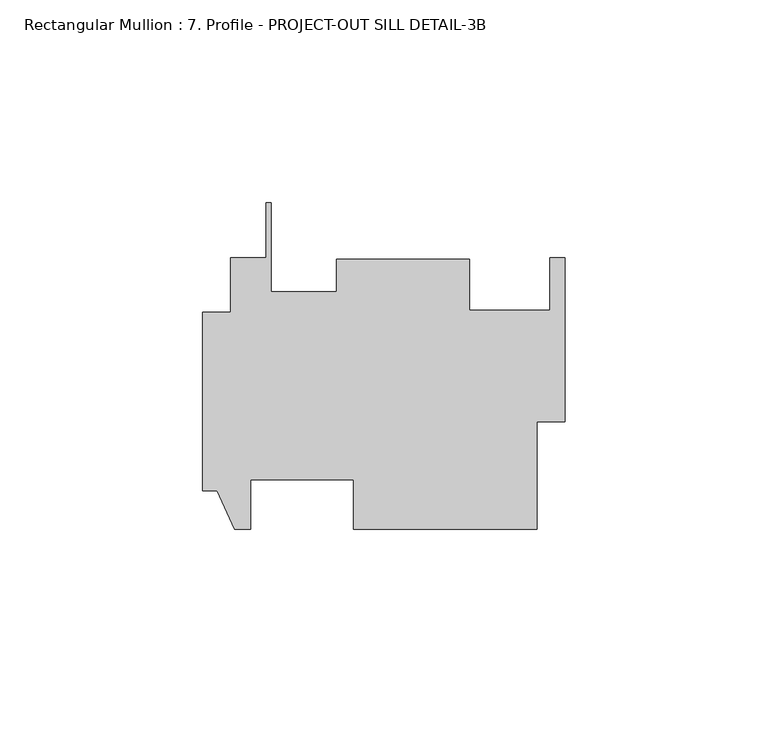
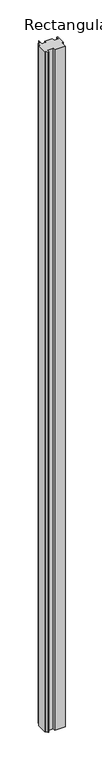
"""IFC4 building model written with IfcOpenShell, lengths in millimetres: member geometry, Rectangular Mullion : 7. Profile - PROJECT-OUT SILL DETAIL-3B."""

from ifc_helpers import new_model, si_unit, frame, origin, place, context, project, spatial, polyline, outline, extrude, source, transform, mapped, element, save


def rectangular_mullion_7_profile_project_out_sill_detail_3b_d269598d(model_context):
    return source(origin(), model_context, "Body", "SweptSolid", [
        extrude(outline(polyline([(-89.4588, -24.4954678), (-89.4588, 19.4719322), (-82.55, 19.4719322), (-82.55, 32.9593322), (-73.80478, 32.9593322), (-73.80478, 46.5141169), (-72.53478, 46.5141169), (-72.53478, 24.4877902), (-56.4388, 24.4877902), (-56.4388, 32.5802355), (-23.5712, 32.5802355), (-23.5712, 20.0249606), (-3.7338, 20.0249606), (-3.7338, 32.9233981), (0.0, 32.9233981), (0.0, -7.5282678), (-6.9088, -7.5282678), (-6.9088, -34.0204678), (-52.2224, -34.0204678), (-52.2224, -21.8030678), (-77.6224, -21.8030678), (-77.6224, -34.0204678), (-81.534, -34.0204678), (-85.852, -24.4954678), (-89.4588, -24.4954678)])), frame((0.0, 0.0, -3048.0), z_axis=(0.0, 0.0, 1.0), x_axis=(1.0, 0.0, 0.0)), (0.0, 0.0, 1.0), 3048.0),
    ])


if __name__ == "__main__":
    model = new_model("IFC4")
    model_context = context("Model", 3, world=origin())
    ifc_project = project(units=[si_unit("LENGTHUNIT", "METRE", prefix="MILLI")], contexts=[model_context])
    site = spatial("IfcSite", under=ifc_project)
    building = spatial("IfcBuilding", under=site)
    placement = place(None, origin())
    rectangular_mullion_7_profile_project_out_sill_detail_3b_shape = rectangular_mullion_7_profile_project_out_sill_detail_3b_d269598d(model_context)
    element("IfcMember", 1, ObjectType="Rectangular Mullion : 7. Profile - PROJECT-OUT SILL DETAIL-3B", at=placement, inside=building, context=model_context, shape_type="MappedRepresentation", body=[
        mapped(rectangular_mullion_7_profile_project_out_sill_detail_3b_shape, transform((0.0, 0.0, 0.0), x_axis=(1.0, 0.0, 0.0), y_axis=(0.0, 1.0, 0.0), z_axis=(0.0, 0.0, 1.0))),
    ])
    save(model, "model.ifc")
